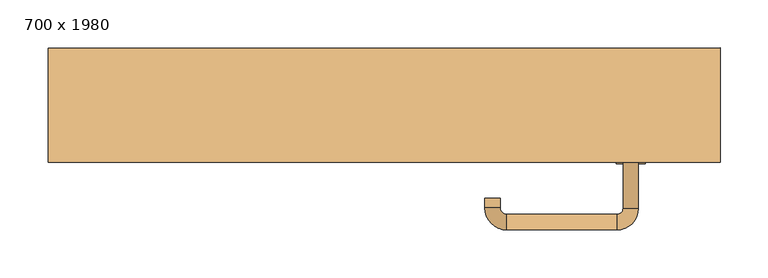
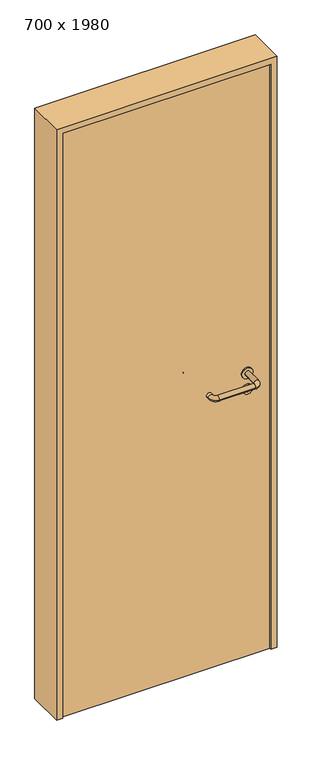
"""IFC4 building model written with IfcOpenShell, lengths in millimetres: door geometry, 700 x 1980."""

from ifc_helpers import new_model, si_unit, point, frame, frame_2d, origin, origin_with_axes, place, context, project, spatial, polyline, circle_curve, ellipse_curve, trimmed, segment, composite_curve, outline, extrude, source, transform, mapped, element, save
from ifc_brep_helpers import plane_surface, cylinder_surface, revolved_surface, advanced_brep


def door_700_x_1980_ebc66b6a(model_context):
    return source(origin(), model_context, "Body", "SolidModel", [
        extrude(outline(composite_curve([segment(trimmed(circle_curve(frame_2d((897.3605726, 257.0)), 15.0), [point((897.3605726, 272.0))], [point((897.3605726, 242.0))], False, "CARTESIAN"), True, "CONTINUOUS"), segment(trimmed(circle_curve(frame_2d((897.3605726, 257.0)), 15.0), [point((897.3605726, 242.0))], [point((897.3605726, 272.0))], False, "CARTESIAN"), True, "CONTINUOUS")], self_intersect=False), holes=[composite_curve([segment(trimmed(circle_curve(frame_2d((892.5833211, 256.9398032)), 2.0), [point((892.5833211, 258.9398032))], [point((892.5833211, 254.9398032))], True, "CARTESIAN"), True, "CONTINUOUS"), segment(polyline([(892.5833211, 254.9398032), (902.5833211, 254.9398032)]), True, "CONTINUOUS"), segment(trimmed(circle_curve(frame_2d((902.5833211, 256.9398032)), 2.0), [point((902.5833211, 254.9398032))], [point((902.5833211, 258.9398032))], True, "CARTESIAN"), True, "CONTINUOUS"), segment(polyline([(902.5833211, 258.9398032), (892.5833211, 258.9398032)]), True, "CONTINUOUS")], self_intersect=False)]), frame((0.0, -25.0, 0.0), z_axis=(0.0, 1.0, 0.0), x_axis=(0.0, 0.0, 1.0)), (0.0, 0.0, 1.0), 6.35),
        extrude(outline(composite_curve([segment(trimmed(circle_curve(frame_2d((950.0, 257.0)), 17.526), [point((950.0, 274.526))], [point((950.0, 239.474))], False, "CARTESIAN"), True, "CONTINUOUS"), segment(trimmed(circle_curve(frame_2d((950.0, 257.0)), 17.526), [point((950.0, 239.474))], [point((950.0, 274.526))], False, "CARTESIAN"), True, "CONTINUOUS")], self_intersect=False)), frame((0.0, -25.0, 0.0), z_axis=(0.0, 1.0, 0.0), x_axis=(0.0, 0.0, 1.0)), (0.0, 0.0, 1.0), 3.175),
        advanced_brep(
        [(265.0, -25.0, 950.0), (249.0, -25.0, 950.0), (265.0, 28.0, 950.0), (249.0, 28.0, 950.0), (242.8578644, 34.1421356, 950.0), (242.8578644, 50.1421356, 950.0), (127.8578644, 50.1421356, 950.0), (127.8578644, 34.1421356, 950.0), (121.008622, 27.2928932, 950.0), (105.008622, 27.2928932, 950.0), (105.008622, 17.2928932, 950.0), (121.008622, 17.2928932, 950.0)],
        [
            (0, 1, circle_curve(frame((257.0, -25.0, 950.0), z_axis=(0.0, -1.0, 0.0), x_axis=(-1.0, 0.0, 0.0)), 8.0)),
            (1, 0, circle_curve(frame((257.0, -25.0, 950.0), z_axis=(0.0, -1.0, 0.0), x_axis=(-1.0, 0.0, 0.0)), 8.0)),
            (0, 2),
            (2, 3, circle_curve(frame((257.0, 28.0, 950.0), z_axis=(0.0, -1.0, 0.0), x_axis=(-1.0, 0.0, 0.0)), 8.0)),
            (3, 1),
            (3, 2, circle_curve(frame((257.0, 28.0, 950.0), z_axis=(0.0, -1.0, 0.0), x_axis=(-1.0, 0.0, 0.0)), 8.0)),
            (4, 3, circle_curve(frame((242.8578644, 28.0, 950.0), z_axis=(0.0, 0.0, -1.0), x_axis=(1.0, 0.0, 0.0)), 6.1421356)),
            (2, 5, circle_curve(frame((242.8578644, 28.0, 950.0), z_axis=(0.0, 0.0, 1.0), x_axis=(1.0, 0.0, 0.0)), 22.1421356)),
            (5, 4, circle_curve(frame((242.8578644, 42.1421356, 950.0), z_axis=(1.0, 0.0, 0.0), x_axis=(0.0, -1.0, 0.0)), 8.0)),
            (4, 5, circle_curve(frame((242.8578644, 42.1421356, 950.0), z_axis=(1.0, 0.0, 0.0), x_axis=(0.0, -1.0, 0.0)), 8.0)),
            (5, 6),
            (6, 7, circle_curve(frame((127.8578644, 42.1421356, 950.0), z_axis=(1.0, 0.0, 0.0), x_axis=(0.0, -1.0, 0.0)), 8.0)),
            (7, 4),
            (7, 6, circle_curve(frame((127.8578644, 42.1421356, 950.0), z_axis=(1.0, 0.0, 0.0), x_axis=(0.0, -1.0, 0.0)), 8.0)),
            (8, 7, circle_curve(frame((127.8578644, 27.2928932, 950.0), z_axis=(0.0, 0.0, -1.0), x_axis=(0.0, 1.0, 0.0)), 6.8492424)),
            (6, 9, circle_curve(frame((127.8578644, 27.2928932, 950.0), z_axis=(0.0, 0.0, 1.0), x_axis=(0.0, 1.0, 0.0)), 22.8492424)),
            (9, 8, circle_curve(frame((113.008622, 27.2928932, 950.0), z_axis=(0.0, 1.0, 0.0), x_axis=(1.0, 0.0, 0.0)), 8.0)),
            (8, 9, circle_curve(frame((113.008622, 27.2928932, 950.0), z_axis=(0.0, 1.0, 0.0), x_axis=(1.0, 0.0, 0.0)), 8.0)),
            (10, 11, circle_curve(frame((113.008622, 17.2928932, 950.0), z_axis=(0.0, -1.0, 0.0), x_axis=(1.0, 0.0, 0.0)), 8.0)),
            (11, 10, circle_curve(frame((113.008622, 17.2928932, 950.0), z_axis=(0.0, -1.0, 0.0), x_axis=(1.0, 0.0, 0.0)), 8.0)),
            (9, 10),
            (11, 8),
        ],
        [
            plane_surface(frame((257.0, -25.0, 0.0), z_axis=(0.0, -1.0, 0.0), x_axis=(0.0, 0.0, 1.0))),
            cylinder_surface(frame((257.0, -25.0, 950.0), z_axis=(0.0, -1.0, 0.0), x_axis=(-1.0, 0.0, 0.0)), 8.0),
            revolved_surface(trimmed(ellipse_curve(frame((257.0, 28.0, 950.0), z_axis=(0.0, -1.0, 0.0), x_axis=(-1.0, 0.0, 0.0)), 8.0, 8.0), [point((265.0, 28.0, 950.0))], [point((249.0, 28.0, 950.0))], True, "CARTESIAN"), (242.8578644, 28.0, 0.0), (0.0, 0.0, 1.0)),
            revolved_surface(trimmed(ellipse_curve(frame((257.0, 28.0, 950.0), z_axis=(0.0, -1.0, 0.0), x_axis=(-1.0, 0.0, 0.0)), 8.0, 8.0), [point((249.0, 28.0, 950.0))], [point((265.0, 28.0, 950.0))], True, "CARTESIAN"), (242.8578644, 28.0, 0.0), (0.0, 0.0, 1.0)),
            cylinder_surface(frame((242.8578644, 42.1421356, 950.0), z_axis=(1.0, 0.0, 0.0), x_axis=(0.0, -1.0, 0.0)), 8.0),
            revolved_surface(trimmed(ellipse_curve(frame((127.8578644, 42.1421356, 950.0), z_axis=(1.0, 0.0, 0.0), x_axis=(0.0, -1.0, 0.0)), 8.0, 8.0), [point((127.8578644, 50.1421356, 950.0))], [point((127.8578644, 34.1421356, 950.0))], True, "CARTESIAN"), (127.8578644, 27.2928932, 0.0), (0.0, 0.0, 1.0)),
            revolved_surface(trimmed(ellipse_curve(frame((127.8578644, 42.1421356, 950.0), z_axis=(1.0, 0.0, 0.0), x_axis=(0.0, -1.0, 0.0)), 8.0, 8.0), [point((127.8578644, 34.1421356, 950.0))], [point((127.8578644, 50.1421356, 950.0))], True, "CARTESIAN"), (127.8578644, 27.2928932, 0.0), (0.0, 0.0, 1.0)),
            plane_surface(frame((113.008622, 17.2928932, 0.0), z_axis=(0.0, -1.0, 0.0), x_axis=(0.0, 0.0, 1.0))),
            cylinder_surface(frame((113.008622, 27.2928932, 950.0), z_axis=(0.0, 1.0, 0.0), x_axis=(1.0, 0.0, 0.0)), 8.0),
        ],
        [
            (0, [[1, 2]]),
            (1, [[-1, 3, 4, 5]]),
            (1, [[-2, -5, 6, -3]]),
            (2, [[7, -4, 8, 9]]),
            (3, [[-8, -6, -7, 10]]),
            (4, [[-9, 11, 12, 13]]),
            (4, [[-10, -13, 14, -11]]),
            (5, [[15, -12, 16, 17]]),
            (6, [[-16, -14, -15, 18]]),
            (7, [[19, 20]]),
            (8, [[-17, 21, -20, 22]]),
            (8, [[-18, -22, -19, -21]]),
        ],
    ),
        extrude(outline(composite_curve([segment(trimmed(circle_curve(frame_2d((0.0, 15.0)), 15.0), [point((0.0, 30.0))], [point((0.0, 0.0))], False, "CARTESIAN"), True, "CONTINUOUS"), segment(trimmed(circle_curve(frame_2d((0.0, 15.0)), 15.0), [point((0.0, 0.0))], [point((0.0, 30.0))], False, "CARTESIAN"), True, "CONTINUOUS")], self_intersect=False), holes=[composite_curve([segment(trimmed(circle_curve(frame_2d((-4.7772515, 14.9398032)), 2.0), [point((-4.7772515, 16.9398032))], [point((-4.7772515, 12.9398032))], True, "CARTESIAN"), True, "CONTINUOUS"), segment(polyline([(-4.7772515, 12.9398032), (5.2227485, 12.9398032)]), True, "CONTINUOUS"), segment(trimmed(circle_curve(frame_2d((5.2227485, 14.9398032)), 2.0), [point((5.2227485, 12.9398032))], [point((5.2227485, 16.9398032))], True, "CARTESIAN"), True, "CONTINUOUS"), segment(polyline([(5.2227485, 16.9398032), (-4.7772515, 16.9398032)]), True, "CONTINUOUS")], self_intersect=False)]), frame((242.0, -61.35, 897.3605726), z_axis=(-1.8870575173328306e-12, 1.0, 0.0), x_axis=(0.0, 0.0, 1.0)), (0.0, 0.0, 1.0), 6.35),
        extrude(outline(composite_curve([segment(trimmed(circle_curve(frame_2d((0.0, 17.526)), 17.526), [point((0.0, 35.052))], [point((0.0, 0.0))], False, "CARTESIAN"), True, "CONTINUOUS"), segment(trimmed(circle_curve(frame_2d((0.0, 17.526)), 17.526), [point((0.0, 0.0))], [point((0.0, 35.052))], False, "CARTESIAN"), True, "CONTINUOUS")], self_intersect=False)), frame((239.474, -58.175, 950.0), z_axis=(-1.8870575173328306e-12, 1.0, 0.0), x_axis=(0.0, 0.0, 1.0)), (0.0, 0.0, 1.0), 3.175),
        advanced_brep(
        [(265.0, -55.0, 950.0), (249.0, -55.0, 950.0), (249.0, -108.0, 950.0), (265.0, -108.0, 950.0), (242.8578644, -114.1421356, 950.0), (242.8578644, -130.1421356, 950.0), (127.8578644, -114.1421356, 950.0), (127.8578644, -130.1421356, 950.0), (121.008622, -107.2928932, 950.0), (105.008622, -107.2928932, 950.0), (105.008622, -97.2928932, 950.0), (121.008622, -97.2928932, 950.0)],
        [
            (0, 1, circle_curve(frame((257.0, -55.0, 950.0), z_axis=(-1.888672253512351e-12, 1.0, 0.0), x_axis=(-1.0, -1.888672253512351e-12, 0.0)), 8.0)),
            (1, 0, circle_curve(frame((257.0, -55.0, 950.0), z_axis=(-1.888672253512351e-12, 1.0, 0.0), x_axis=(-1.0, -1.888672253512351e-12, 0.0)), 8.0)),
            (1, 2),
            (2, 3, circle_curve(frame((257.0, -108.0, 950.0), z_axis=(-1.888672253512351e-12, 1.0, 0.0), x_axis=(-1.0, -1.888672253512351e-12, 0.0)), 8.0)),
            (3, 0),
            (3, 2, circle_curve(frame((257.0, -108.0, 950.0), z_axis=(-1.888672253512351e-12, 1.0, 0.0), x_axis=(-1.0, -1.888672253512351e-12, 0.0)), 8.0)),
            (4, 5, circle_curve(frame((242.8578644, -122.1421356, 950.0), z_axis=(1.0, 1.913702061528922e-12, 0.0), x_axis=(-1.913702061528922e-12, 1.0, 0.0)), 8.0)),
            (5, 3, circle_curve(frame((242.8578644, -108.0, 950.0), z_axis=(0.0, 0.0, 1.0), x_axis=(1.0, 1.880717803715015e-12, 0.0)), 22.1421356)),
            (2, 4, circle_curve(frame((242.8578644, -108.0, 950.0), z_axis=(0.0, 0.0, -1.0), x_axis=(1.0, 1.880717803715015e-12, 0.0)), 6.1421356)),
            (5, 4, circle_curve(frame((242.8578644, -122.1421356, 950.0), z_axis=(1.0, 1.913702061528922e-12, 0.0), x_axis=(-1.913702061528922e-12, 1.0, 0.0)), 8.0)),
            (4, 6),
            (6, 7, circle_curve(frame((127.8578644, -122.1421356, 950.0), z_axis=(1.0, 1.913719828541269e-12, 0.0), x_axis=(-1.913719828541269e-12, 1.0, 0.0)), 8.0)),
            (7, 5),
            (7, 6, circle_curve(frame((127.8578644, -122.1421356, 950.0), z_axis=(1.0, 1.913719828541269e-12, 0.0), x_axis=(-1.913719828541269e-12, 1.0, 0.0)), 8.0)),
            (8, 9, circle_curve(frame((113.008622, -107.2928932, 950.0), z_axis=(1.8888942981172756e-12, -1.0, 0.0), x_axis=(1.0, 1.8888942981172756e-12, 0.0)), 8.0)),
            (9, 7, circle_curve(frame((127.8578644, -107.2928932, 950.0), z_axis=(0.0, 0.0, 1.0), x_axis=(1.9120873253494017e-12, -1.0, 0.0)), 22.8492424)),
            (6, 8, circle_curve(frame((127.8578644, -107.2928932, 950.0), z_axis=(0.0, 0.0, -1.0), x_axis=(1.9120873253494017e-12, -1.0, 0.0)), 6.8492424)),
            (9, 8, circle_curve(frame((113.008622, -107.2928932, 950.0), z_axis=(1.890448610351751e-12, -1.0, 0.0), x_axis=(1.0, 1.890448610351751e-12, 0.0)), 8.0)),
            (10, 11, circle_curve(frame((113.008622, -97.2928932, 950.0), z_axis=(-1.8903642334018795e-12, 1.0, 0.0), x_axis=(1.0, 1.8903642334018795e-12, 0.0)), 8.0)),
            (11, 10, circle_curve(frame((113.008622, -97.2928932, 950.0), z_axis=(-1.8903642334018795e-12, 1.0, 0.0), x_axis=(1.0, 1.8903642334018795e-12, 0.0)), 8.0)),
            (8, 11),
            (10, 9),
        ],
        [
            plane_surface(frame((257.0, -55.0, 0.0), z_axis=(-1.8870575173328306e-12, 1.0, 0.0), x_axis=(0.0, 0.0, 1.0))),
            cylinder_surface(frame((257.0, -55.0, 950.0), z_axis=(-1.888672253512351e-12, 1.0, 0.0), x_axis=(-1.0, -1.888672253512351e-12, 0.0)), 8.0),
            revolved_surface(trimmed(ellipse_curve(frame((257.0, -108.0, 950.0), z_axis=(1.8823325398945356e-12, -1.0, 0.0), x_axis=(-1.0, -1.8823325398945356e-12, 0.0)), 8.0, 8.0), [point((265.0, -108.0, 950.0))], [point((249.0, -108.0, 950.0))], True, "CARTESIAN"), (242.8578644, -108.0, 0.0), (0.0, 0.0, 1.0)),
            revolved_surface(trimmed(ellipse_curve(frame((257.0, -108.0, 950.0), z_axis=(1.8823325398945356e-12, -1.0, 0.0), x_axis=(-1.0, -1.8823325398945356e-12, 0.0)), 8.0, 8.0), [point((249.0, -108.0, 950.0))], [point((265.0, -108.0, 950.0))], True, "CARTESIAN"), (242.8578644, -108.0, 0.0), (0.0, 0.0, 1.0)),
            cylinder_surface(frame((242.8578644, -122.1421356, 950.0), z_axis=(1.0, 1.913719828541269e-12, 0.0), x_axis=(-1.913719828541269e-12, 1.0, 0.0)), 8.0),
            revolved_surface(trimmed(ellipse_curve(frame((127.8578644, -122.1421356, 950.0), z_axis=(-1.0, -1.913702061528922e-12, 0.0), x_axis=(-1.913702061528922e-12, 1.0, 0.0)), 8.0, 8.0), [point((127.8578644, -130.1421356, 950.0))], [point((127.8578644, -114.1421356, 950.0))], True, "CARTESIAN"), (127.8578644, -107.2928932, 0.0), (0.0, 0.0, 1.0)),
            revolved_surface(trimmed(ellipse_curve(frame((127.8578644, -122.1421356, 950.0), z_axis=(-1.0, -1.913702061528922e-12, 0.0), x_axis=(-1.913702061528922e-12, 1.0, 0.0)), 8.0, 8.0), [point((127.8578644, -114.1421356, 950.0))], [point((127.8578644, -130.1421356, 950.0))], True, "CARTESIAN"), (127.8578644, -107.2928932, 0.0), (0.0, 0.0, 1.0)),
            plane_surface(frame((113.008622, -97.2928932, 0.0), z_axis=(-1.8887494972223595e-12, 1.0, 0.0), x_axis=(0.0, 0.0, 1.0))),
            cylinder_surface(frame((113.008622, -107.2928932, 950.0), z_axis=(1.8903642334018795e-12, -1.0, 0.0), x_axis=(1.0, 1.8903642334018795e-12, 0.0)), 8.0),
        ],
        [
            (0, [[1, 2]]),
            (1, [[3, 4, 5, -2]]),
            (1, [[-5, 6, -3, -1]]),
            (2, [[7, 8, -4, 9]]),
            (3, [[10, -9, -6, -8]]),
            (4, [[11, 12, 13, -7]]),
            (4, [[-13, 14, -11, -10]]),
            (5, [[15, 16, -12, 17]]),
            (6, [[18, -17, -14, -16]]),
            (7, [[19, 20]]),
            (8, [[21, -19, 22, -15]]),
            (8, [[-22, -20, -21, -18]]),
        ],
    ),
        extrude(outline(polyline([(1960.0, 330.0), (0.0, 330.0), (0.0, 350.0), (1980.0, 350.0), (1980.0, -350.0), (0.0, -350.0), (0.0, -330.0), (1960.0, -330.0), (1960.0, 330.0)])), frame((0.0, -60.0, 0.0), z_axis=(0.0, 1.0, 0.0), x_axis=(0.0, 0.0, 1.0)), (0.0, 0.0, 1.0), 119.0),
        extrude(outline(polyline([(-330.0, -55.0), (-330.0, -25.0), (330.0, -25.0), (330.0, -55.0), (-330.0, -55.0)])), origin_with_axes(), (0.0, 0.0, 1.0), 1960.0),
    ])


if __name__ == "__main__":
    model = new_model("IFC4")
    model_context = context("Model", 3, world=origin())
    ifc_project = project(units=[si_unit("LENGTHUNIT", "METRE", prefix="MILLI")], contexts=[model_context])
    site = spatial("IfcSite", under=ifc_project)
    building = spatial("IfcBuilding", under=site)
    placement = place(None, origin())
    door_700_x_1980_shape = door_700_x_1980_ebc66b6a(model_context)
    element("IfcDoor", 1, ObjectType="700 x 1980", at=placement, inside=building, context=model_context, shape_type="MappedRepresentation", body=[
        mapped(door_700_x_1980_shape, transform((0.0, 0.0, 0.0), x_axis=(1.0, 0.0, 0.0), y_axis=(0.0, 1.0, 0.0), z_axis=(0.0, 0.0, 1.0))),
    ])
    save(model, "model.ifc")
